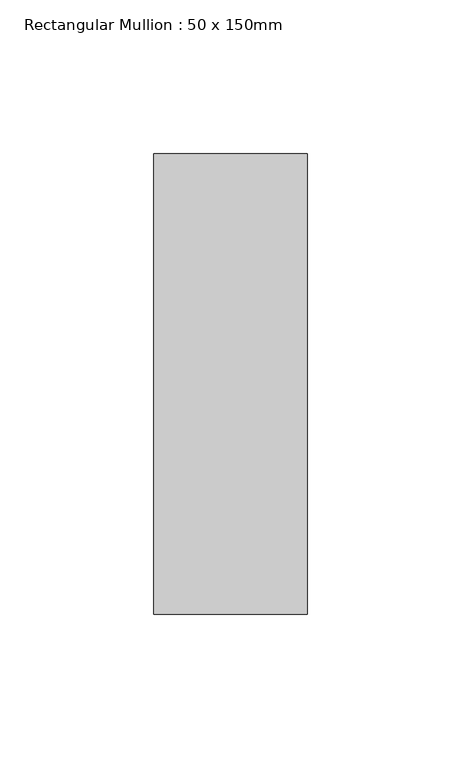
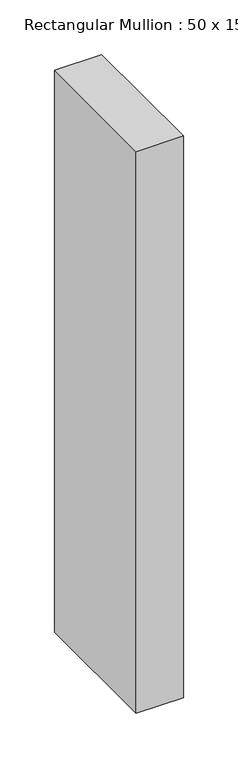
"""IFC4 building model written with IfcOpenShell, lengths in millimetres: member geometry, Rectangular Mullion : 50 x 150mm."""

from ifc_helpers import new_model, si_unit, frame, origin, place, context, project, spatial, polyline, outline, extrude, source, transform, mapped, element, save


def rectangular_mullion_50_x_150mm_c1148757(model_context):
    return source(origin(), model_context, "Body", "SweptSolid", [
        extrude(outline(polyline([(0.0, 75.0), (0.0, -75.0), (-50.0, -75.0), (-50.0, 75.0), (0.0, 75.0)])), frame((0.0, 0.0, -628.3333333), z_axis=(0.0, 0.0, 1.0), x_axis=(1.0, 0.0, 0.0)), (0.0, 0.0, 1.0), 628.3333333),
    ])


if __name__ == "__main__":
    model = new_model("IFC4")
    model_context = context("Model", 3, world=origin())
    ifc_project = project(units=[si_unit("LENGTHUNIT", "METRE", prefix="MILLI")], contexts=[model_context])
    site = spatial("IfcSite", under=ifc_project)
    building = spatial("IfcBuilding", under=site)
    placement = place(None, origin())
    rectangular_mullion_50_x_150mm_shape = rectangular_mullion_50_x_150mm_c1148757(model_context)
    element("IfcMember", 1, ObjectType="Rectangular Mullion : 50 x 150mm", at=placement, inside=building, context=model_context, shape_type="MappedRepresentation", body=[
        mapped(rectangular_mullion_50_x_150mm_shape, transform((0.0, 0.0, 0.0), x_axis=(1.0, 0.0, 0.0), y_axis=(0.0, 1.0, 0.0), z_axis=(0.0, 0.0, 1.0))),
    ])
    save(model, "model.ifc")
